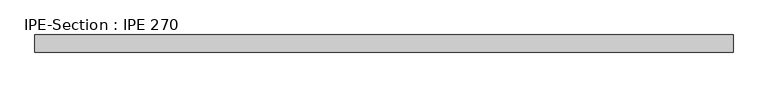
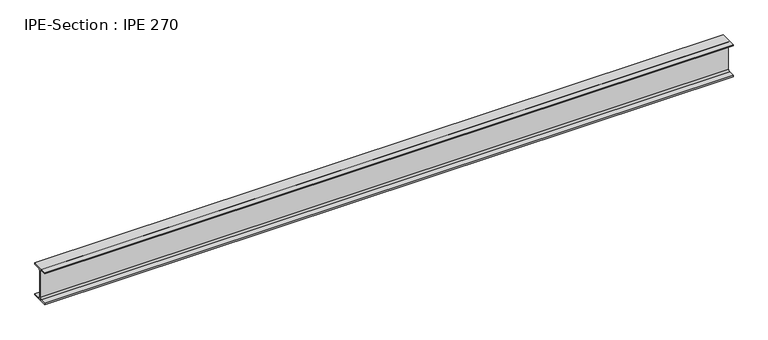
"""IFC4 building model written with IfcOpenShell, lengths in millimetres: beam geometry, IPE-Section : IPE 270."""

from ifc_helpers import new_model, si_unit, point, frame, frame_2d, origin, place, context, project, spatial, polyline, circle_curve, trimmed, segment, composite_curve, outline, extrude, source, transform, mapped, element, save


def ipe_section_ipe_270_72b9bb1b(model_context):
    return source(origin(), model_context, "Body", "SweptSolid", [
        extrude(outline(composite_curve([segment(polyline([(67.5, -124.8), (67.5, -135.0), (-67.5, -135.0), (-67.5, -124.8), (-18.3, -124.8)]), True, "CONTINUOUS"), segment(trimmed(circle_curve(frame_2d((-18.3, -109.8)), 15.0), [point((-18.3, -124.8))], [point((-3.3, -109.8))], True, "CARTESIAN"), True, "CONTINUOUS"), segment(polyline([(-3.3, -109.8), (-3.3, 109.8)]), True, "CONTINUOUS"), segment(trimmed(circle_curve(frame_2d((-18.3, 109.8)), 15.0), [point((-3.3, 109.8))], [point((-18.3, 124.8))], True, "CARTESIAN"), True, "CONTINUOUS"), segment(polyline([(-18.3, 124.8), (-67.5, 124.8), (-67.5, 135.0), (67.5, 135.0), (67.5, 124.8), (18.3, 124.8)]), True, "CONTINUOUS"), segment(trimmed(circle_curve(frame_2d((18.3, 109.8)), 15.0), [point((18.3, 124.8))], [point((3.3, 109.8))], True, "CARTESIAN"), True, "CONTINUOUS"), segment(polyline([(3.3, 109.8), (3.3, -109.8)]), True, "CONTINUOUS"), segment(trimmed(circle_curve(frame_2d((18.3, -109.8)), 15.0), [point((3.3, -109.8))], [point((18.3, -124.8))], True, "CARTESIAN"), True, "CONTINUOUS"), segment(polyline([(18.3, -124.8), (67.5, -124.8)]), True, "CONTINUOUS")], self_intersect=False)), frame((-2743.9706769, 0.0, 0.0), z_axis=(1.0, 0.0, 0.0), x_axis=(0.0, 1.0, 0.0)), (0.0, 0.0, 1.0), 5487.9413538),
    ])


if __name__ == "__main__":
    model = new_model("IFC4")
    model_context = context("Model", 3, world=origin())
    ifc_project = project(units=[si_unit("LENGTHUNIT", "METRE", prefix="MILLI")], contexts=[model_context])
    site = spatial("IfcSite", under=ifc_project)
    building = spatial("IfcBuilding", under=site)
    placement = place(None, origin())
    ipe_section_ipe_270_shape = ipe_section_ipe_270_72b9bb1b(model_context)
    element("IfcBeam", 1, ObjectType="IPE-Section : IPE 270", at=placement, inside=building, context=model_context, shape_type="MappedRepresentation", body=[
        mapped(ipe_section_ipe_270_shape, transform((0.0, 0.0, 0.0), x_axis=(1.0, 0.0, 0.0), y_axis=(0.0, 1.0, 0.0), z_axis=(0.0, 0.0, 1.0))),
    ])
    save(model, "model.ifc")
